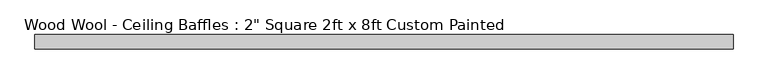
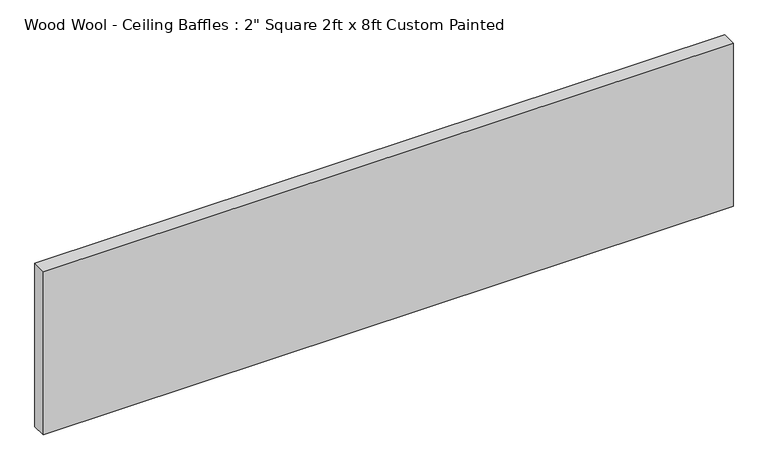
"""IFC4 building model written with IfcOpenShell, lengths in millimetres: proxy geometry."""

from ifc_helpers import new_model, si_unit, origin, origin_with_axes, place, context, project, spatial, polyline, outline, extrude, source, transform, mapped, element, save


def proxy_96f78ceb(model_context):
    return source(origin(), model_context, "Body", "SweptSolid", [
        extrude(outline(polyline([(1219.2, -50.8), (-1219.2, -50.8), (-1219.2, 0.0), (1219.2, 0.0), (1219.2, -50.8)])), origin_with_axes(), (0.0, 0.0, 1.0), 609.6),
    ])


if __name__ == "__main__":
    model = new_model("IFC4")
    model_context = context("Model", 3, world=origin())
    ifc_project = project(units=[si_unit("LENGTHUNIT", "METRE", prefix="MILLI")], contexts=[model_context])
    site = spatial("IfcSite", under=ifc_project)
    building = spatial("IfcBuilding", under=site)
    placement = place(None, origin())
    proxy_shape = proxy_96f78ceb(model_context)
    element("IfcBuildingElementProxy", 1, Name="Wood Wool - Ceiling Baffles : 2\" Square 2ft x 8ft Custom Painted", ObjectType="Wood Wool - Ceiling Baffles : 2\" Square 2ft x 8ft Custom Painted", at=placement, inside=building, context=model_context, shape_type="MappedRepresentation", body=[
        mapped(proxy_shape, transform((0.0, 0.0, 0.0), x_axis=(1.0, 0.0, 0.0), y_axis=(0.0, 1.0, 0.0), z_axis=(0.0, 0.0, 1.0))),
    ])
    save(model, "model.ifc")
